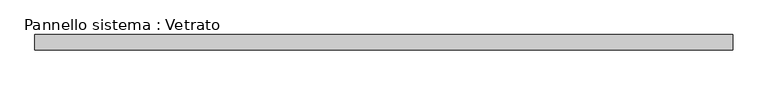
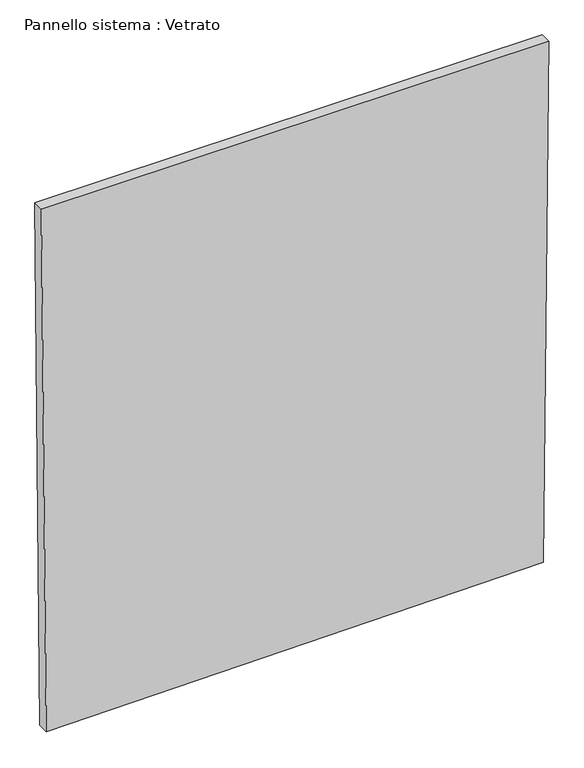
"""IFC4 building model written with IfcOpenShell, lengths in millimetres: plate geometry, Pannello sistema : Vetrato."""

import ifcopenshell
import ifcopenshell.guid

model = None  # the IFC model being written
_history = None  # IfcOwnerHistory: only IFC2X3 demands one
_inside = {}  # id of a spatial element -> (the spatial element, [elements in it])
_under = {}  # id of a project, library or spatial element -> (it, [spatial elements below it])
_declared = {}  # id of a project -> (the project, [libraries it declares])
_typed = {}  # id of a type object -> (the type object, [elements of that type])
_made_of = {}  # id of a material, layer set ... -> (it, [elements and type objects made of it])


def new_model(schema):
    """Start an empty IFC model of exactly this schema.

    Asked for "IFC4X3", IfcOpenShell would pick the latest addendum, in which some entities
    have other attributes; the version numbers below select the first issue.
    IFC2X3 requires an IfcOwnerHistory on every rooted entity: one is made here for all.
    """
    global model, _history
    if schema == "IFC4X3":
        model = ifcopenshell.file(schema_version=(4, 3, 0, 0))
    else:
        model = ifcopenshell.file(schema=schema)
    _inside.clear()
    _under.clear()
    _declared.clear()
    _typed.clear()
    _made_of.clear()
    _history = None
    if model.schema == "IFC2X3":
        org = make("IfcOrganization", Name="unknown")
        user = make(
            "IfcPersonAndOrganization",
            ThePerson=make("IfcPerson", FamilyName="unknown"),
            TheOrganization=org,
        )
        app = make(
            "IfcApplication",
            ApplicationDeveloper=org,
            Version="unknown",
            ApplicationFullName="unknown",
            ApplicationIdentifier="unknown",
        )
        _history = make(
            "IfcOwnerHistory",
            OwningUser=user,
            OwningApplication=app,
            ChangeAction="ADDED",
            CreationDate=0,
        )
    return model


def make(cls, **values):
    """One entity of the class cls with the attributes given. An attribute that is None is left unset."""
    return model.create_entity(
        cls, **{name: value for name, value in values.items() if value is not None}
    )


def rooted(cls, **values):
    """An entity with a GlobalId (a new one), such as an element, a storey or a relation."""
    return make(cls, GlobalId=ifcopenshell.guid.new(), OwnerHistory=_history, **values)


def si_unit(unit_type, name, prefix=None):
    """IfcSIUnit, for example si_unit("LENGTHUNIT", "METRE", prefix="MILLI")."""
    return make("IfcSIUnit", UnitType=unit_type, Prefix=prefix, Name=name)


def assignment(units):
    """IfcUnitAssignment: the units of a project."""
    return None if units is None else make("IfcUnitAssignment", Units=units)


def point(xyz):
    """IfcCartesianPoint."""
    return None if xyz is None else make("IfcCartesianPoint", Coordinates=xyz)


def direction(xyz):
    """IfcDirection."""
    return None if xyz is None else make("IfcDirection", DirectionRatios=xyz)


def frame(location, z_axis=None, x_axis=None):
    """IfcAxis2Placement3D, a coordinate frame: its origin and axes. An axis left out is left unset."""
    return make(
        "IfcAxis2Placement3D",
        Location=point(location),
        Axis=direction(z_axis),
        RefDirection=direction(x_axis),
    )


def origin():
    """The frame at (0, 0, 0) with its axes left unset."""
    return frame((0.0, 0.0, 0.0))


def place(relative_to, where):
    """IfcLocalPlacement: puts the frame where relative to a parent placement (None: the world)."""
    return make(
        "IfcLocalPlacement", PlacementRelTo=relative_to, RelativePlacement=where
    )


def context(
    kind, dimensions, precision=None, world=None, true_north=None, identifier=None
):
    """IfcGeometricRepresentationContext, for example the 3D "Model" context."""
    return make(
        "IfcGeometricRepresentationContext",
        ContextIdentifier=identifier,
        ContextType=kind,
        CoordinateSpaceDimension=dimensions,
        Precision=precision,
        WorldCoordinateSystem=world,
        TrueNorth=true_north,
    )


def project(units=None, contexts=None):
    """IfcProject with its units and contexts."""
    return rooted(
        "IfcProject",
        Name="project",
        RepresentationContexts=contexts,
        UnitsInContext=assignment(units),
    )


def spatial(cls, under=None, at=None, **own):
    """A site, building, storey or space (cls), placed at a placement, below another one or the project."""
    s = rooted(cls, ObjectPlacement=at, **own)
    if under is not None:
        _under.setdefault(under.id(), (under, []))[1].append(s)
    return s


def polyline(points):
    """IfcPolyline through the points."""
    return make("IfcPolyline", Points=[point(p) for p in points])


def outline(outer, holes=None, kind="AREA"):
    """IfcArbitraryClosedProfileDef: a profile drawn as a closed curve; with holes, ...WithVoids."""
    if holes is None:
        return make("IfcArbitraryClosedProfileDef", ProfileType=kind, OuterCurve=outer)
    return make(
        "IfcArbitraryProfileDefWithVoids",
        ProfileType=kind,
        OuterCurve=outer,
        InnerCurves=holes,
    )


def extrude(swept, where, along, depth):
    """IfcExtrudedAreaSolid: the profile swept, set in the frame where, extruded along a direction by depth."""
    return make(
        "IfcExtrudedAreaSolid",
        SweptArea=swept,
        Position=where,
        ExtrudedDirection=direction(along),
        Depth=depth,
    )


def shape(context_of_items, identifier, shape_type, items):
    """IfcShapeRepresentation: the items that make up one representation, for example the "Body"."""
    return make(
        "IfcShapeRepresentation",
        ContextOfItems=context_of_items,
        RepresentationIdentifier=identifier,
        RepresentationType=shape_type,
        Items=items,
    )


def source(mapping_origin, context_of_items, identifier, shape_type, items):
    """IfcRepresentationMap: a shape defined once, which mapped items show again and again."""
    return make(
        "IfcRepresentationMap",
        MappingOrigin=mapping_origin,
        MappedRepresentation=shape(context_of_items, identifier, shape_type, items),
    )


def transform(
    local_origin,
    x_axis=None,
    y_axis=None,
    z_axis=None,
    scale=None,
    scale2=None,
    scale3=None,
    uniform=True,
):
    """IfcCartesianTransformationOperator3D, or its non-uniform kind. x_axis, y_axis, z_axis: its Axis1, 2, 3."""
    if uniform:
        return make(
            "IfcCartesianTransformationOperator3D",
            Axis1=direction(x_axis),
            Axis2=direction(y_axis),
            LocalOrigin=point(local_origin),
            Scale=scale,
            Axis3=direction(z_axis),
        )
    return make(
        "IfcCartesianTransformationOperator3DnonUniform",
        Axis1=direction(x_axis),
        Axis2=direction(y_axis),
        LocalOrigin=point(local_origin),
        Scale=scale,
        Axis3=direction(z_axis),
        Scale2=scale2,
        Scale3=scale3,
    )


def mapped(mapping_source, mapping_target):
    """IfcMappedItem: shows the shape of a source again, moved by a transform."""
    return make(
        "IfcMappedItem", MappingSource=mapping_source, MappingTarget=mapping_target
    )


def made_of(thing, what):
    """Note that an element or type object is made of a material, layer set ...; save() writes the relation."""
    if what is not None:
        _made_of.setdefault(what.id(), (what, []))[1].append(thing)
    return thing


def element(
    cls,
    number,
    at=None,
    inside=None,
    cuts=None,
    type_object=None,
    material=None,
    context=None,
    identifier="Body",
    shape_type=None,
    held_by="IfcProductDefinitionShape",
    body=None,
    shapes=None,
    **own,
):
    """One element of the class cls, such as IfcWall. Its Tag is "e" and its number.

    at: its placement. inside: the storey or other place that contains it. cuts: it is an
    opening in that element (IfcRelVoidsElement). A single representation is given by context,
    identifier, shape_type and body (its items); several are given by shapes. held_by: the class
    of the entity that holds the representations. save() writes the other relations.
    """
    e = rooted(cls, Tag="e%d" % number, ObjectPlacement=at, **own)
    if body is not None:
        shapes = [shape(context, identifier, shape_type, body)]
    if shapes is not None:
        e.Representation = make(held_by, Representations=shapes)
    if inside is not None:
        _inside.setdefault(inside.id(), (inside, []))[1].append(e)
    if cuts is not None:
        rooted(
            "IfcRelVoidsElement", RelatingBuildingElement=cuts, RelatedOpeningElement=e
        )
    if type_object is not None:
        _typed.setdefault(type_object.id(), (type_object, []))[1].append(e)
    return made_of(e, material)


def aggregate(whole, parts):
    """IfcRelAggregates: a whole, such as a stair, and the parts it consists of."""
    return rooted("IfcRelAggregates", RelatingObject=whole, RelatedObjects=parts)


def save(model, path):
    """Write the relations noted so far, then the file.

    IfcRelAggregates (storeys below a building ...), IfcRelContainedInSpatialStructure (elements
    in a storey), IfcRelDefinesByType, IfcRelAssociatesMaterial and IfcRelDeclares: one each for
    every whole, place, type object, material and project.
    """
    for whole, parts in _under.values():
        aggregate(whole, parts)
    for where, things in _inside.values():
        rooted(
            "IfcRelContainedInSpatialStructure",
            RelatedElements=things,
            RelatingStructure=where,
        )
    for kind, things in _typed.values():
        rooted("IfcRelDefinesByType", RelatedObjects=things, RelatingType=kind)
    for what, things in _made_of.values():
        rooted("IfcRelAssociatesMaterial", RelatedObjects=things, RelatingMaterial=what)
    for by, libraries in _declared.values():
        rooted("IfcRelDeclares", RelatingContext=by, RelatedDefinitions=libraries)
    model.write(path)


def pannello_sistema_vetrato_aba4a049(model_context):
    return source(origin(), model_context, "Body", "SweptSolid", [
        extrude(outline(polyline([(0.0, -674.2579648), (13.5743086, 671.7140785), (1499.502514, 687.1609682), (1499.5025143, -687.1609682), (0.0, -674.2579648)])), frame((0.0, -15.0, 0.0), z_axis=(0.0, 1.0, 0.0), x_axis=(0.0, 0.0, 1.0)), (0.0, 0.0, 1.0), 30.0),
    ])


if __name__ == "__main__":
    model = new_model("IFC4")
    model_context = context("Model", 3, world=origin())
    ifc_project = project(units=[si_unit("LENGTHUNIT", "METRE", prefix="MILLI")], contexts=[model_context])
    site = spatial("IfcSite", under=ifc_project)
    building = spatial("IfcBuilding", under=site)
    placement = place(None, origin())
    pannello_sistema_vetrato_shape = pannello_sistema_vetrato_aba4a049(model_context)
    element("IfcPlate", 1, ObjectType="Pannello sistema : Vetrato", at=placement, inside=building, context=model_context, shape_type="MappedRepresentation", body=[
        mapped(pannello_sistema_vetrato_shape, transform((0.0, 0.0, 0.0), x_axis=(1.0, 0.0, 0.0), y_axis=(0.0, 1.0, 0.0), z_axis=(0.0, 0.0, 1.0))),
    ])
    save(model, "model.ifc")
